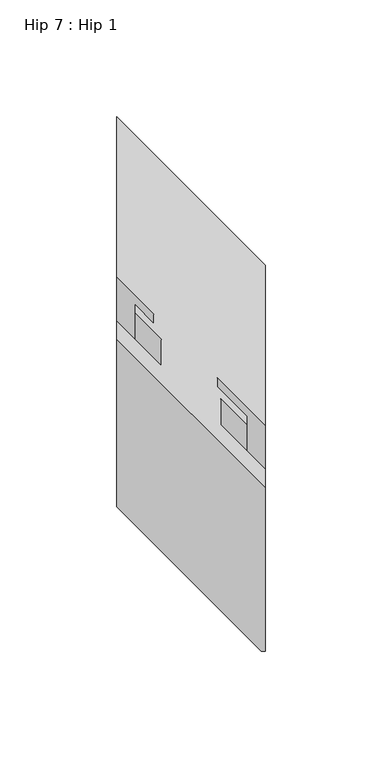
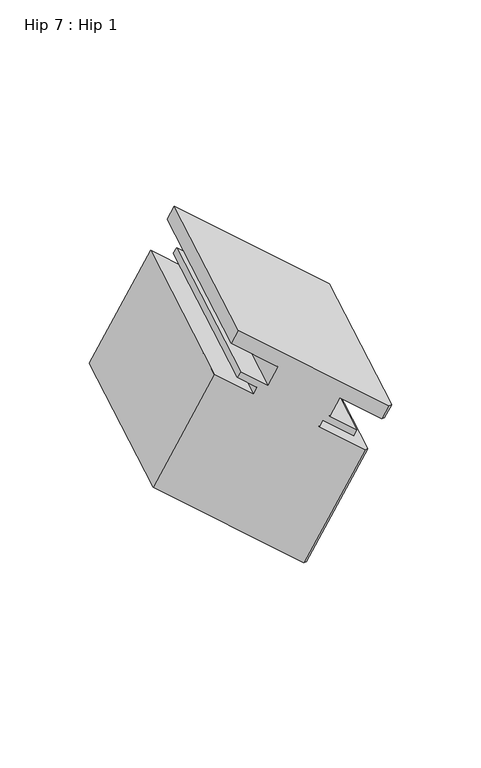
"""IFC4 building model written with IfcOpenShell, lengths in millimetres: proxy geometry, Hip 7 : Hip 1."""

from ifc_helpers import new_model, si_unit, origin, place, context, project, spatial, faceted_brep, source, transform, mapped, element, save


def hip_7_hip_1_f39d8de5(model_context):
    return source(origin(), model_context, "Body", "Brep", [
        faceted_brep([(15409.4408846, 10563.7460607, 949.4438947), (15411.1939788, 10563.7460607, 949.4438947), (15411.1939788, 10633.611614, 989.7807908), (15347.6939788, 10697.111614, 1026.4425329), (15347.6939788, 10625.4929665, 985.0934874), (15411.1939788, 10571.6835607, 935.6957415), (15411.1939788, 10641.549114, 976.0326375), (15409.4408846, 10571.6835607, 935.6957415), (15392.1439788, 10588.9804665, 945.6821147), (15392.1439788, 10660.599114, 987.0311601), (15392.1439788, 10600.2199665, 926.2147296), (15392.1439788, 10671.838614, 967.5637751), (15403.2691788, 10589.0947665, 919.7915924), (15403.2691788, 10660.713414, 961.1406379), (15403.2691788, 10592.6761665, 913.5884256), (15403.2691788, 10664.294814, 954.9374711), (15390.7305681, 10605.2147771, 920.8275959), (15390.7305681, 10676.8334247, 962.1766413), (15390.7305681, 10609.1644771, 913.9865148), (15390.7305681, 10680.7831247, 955.3355603), (15409.4408846, 10590.4541607, 903.1841086), (15411.1939788, 10590.4541607, 903.1841086), (15411.1939788, 10660.319714, 943.5210046), (15411.1939788, 10659.1230607, 784.2460849), (15411.1939788, 10728.988614, 824.5829809), (15409.4408846, 10659.1230607, 784.2460849), (15347.6939788, 10720.8699665, 819.8956775), (15347.6939788, 10792.488614, 861.244723), (15347.6939788, 10652.2010665, 938.8337012), (15347.6939788, 10723.819714, 980.1827467), (15363.5689788, 10636.3260665, 929.6682657), (15363.5689788, 10707.944714, 971.0173112), (15363.5689788, 10632.3763665, 936.5093468), (15363.5689788, 10703.995014, 977.8583923), (15355.6187788, 10640.3265665, 941.0993969), (15355.6187788, 10711.945214, 982.4484424), (15355.6187788, 10636.7451665, 947.3025637), (15355.6187788, 10708.363814, 988.6516091), (15366.7439788, 10625.6199665, 940.8794265), (15366.7439788, 10697.238614, 982.2284719), (15366.7439788, 10614.3804665, 960.3468115), (15366.7439788, 10685.999114, 1001.695857), (15347.6939788, 10633.4304665, 971.3453341), (15347.6939788, 10705.049114, 1012.6943796)], [[[0, 1, 2, 3, 4]], [[1, 5, 6, 2]], [[5, 7, 8, 9, 6]], [[9, 8, 10, 11]], [[11, 10, 12, 13]], [[13, 12, 14, 15]], [[15, 14, 16, 17]], [[17, 16, 18, 19]], [[20, 21, 22, 19, 18]], [[21, 23, 24, 22]], [[23, 25, 26, 27, 24]], [[27, 26, 28, 29]], [[29, 28, 30, 31]], [[31, 30, 32, 33]], [[33, 32, 34, 35]], [[35, 34, 36, 37]], [[37, 36, 38, 39]], [[39, 38, 40, 41]], [[41, 40, 42, 43]], [[43, 42, 4, 3]], [[25, 20, 18, 16, 14, 12, 10, 8, 7, 0, 4, 42, 40, 38, 36, 34, 32, 30, 28, 26]], [[3, 2, 6, 9, 11, 13, 15, 17, 19, 22, 24, 27, 29, 31, 33, 35, 37, 39, 41, 43]], [[5, 1, 0, 7]], [[23, 21, 20, 25]]]),
    ])


if __name__ == "__main__":
    model = new_model("IFC4")
    model_context = context("Model", 3, world=origin())
    ifc_project = project(units=[si_unit("LENGTHUNIT", "METRE", prefix="MILLI")], contexts=[model_context])
    site = spatial("IfcSite", under=ifc_project)
    building = spatial("IfcBuilding", under=site)
    placement = place(None, origin())
    hip_7_hip_1_shape = hip_7_hip_1_f39d8de5(model_context)
    element("IfcBuildingElementProxy", 1, Name="Hip 7 : Hip 1", ObjectType="Hip 7 : Hip 1", at=placement, inside=building, context=model_context, shape_type="MappedRepresentation", body=[
        mapped(hip_7_hip_1_shape, transform((0.0, 0.0, 0.0), x_axis=(1.0, 0.0, 0.0), y_axis=(0.0, 1.0, 0.0), z_axis=(0.0, 0.0, 1.0))),
    ])
    save(model, "model.ifc")
